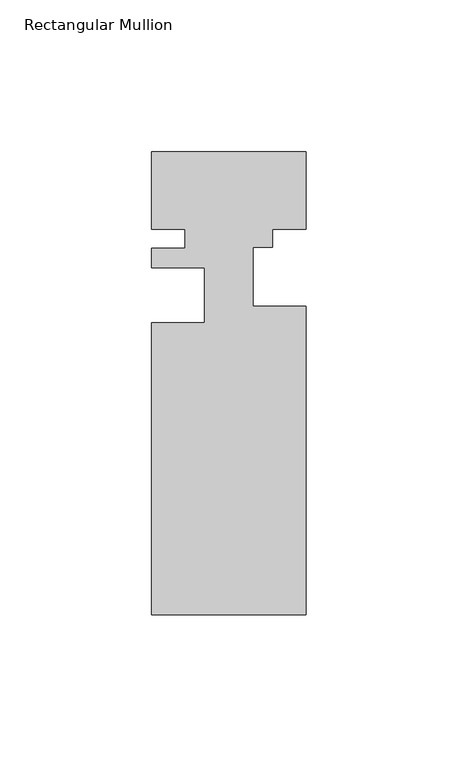
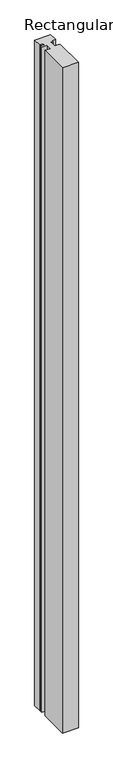
"""IFC4 building model written with IfcOpenShell, lengths in millimetres: member geometry, Rectangular Mullion."""

from ifc_helpers import new_model, si_unit, frame, origin, place, context, project, spatial, polyline, outline, extrude, source, transform, mapped, element, save


def rectangular_mullion_d4f768c2(model_context):
    return source(origin(), model_context, "Body", "SweptSolid", [
        extrude(outline(polyline([(25.4, -25.4), (14.3, -25.4), (14.3, -31.4046212), (7.9502, -31.4046212), (7.9502, -50.8), (25.4, -50.8), (25.4, -152.4), (-25.4, -152.4), (-25.4, -56.1605546), (-7.9501389, -56.1605546), (-7.9501389, -38.1118077), (-25.4, -38.1118077), (-25.4, -31.75), (-14.398625, -31.75), (-14.398625, -25.4), (-25.4, -25.4), (-25.4, 0.0), (25.4, 0.0), (25.4, -25.4)])), frame((0.0, 0.0, -2235.199416), z_axis=(0.0, 0.0, 1.0), x_axis=(1.0, 0.0, 0.0)), (0.0, 0.0, 1.0), 2235.199416),
    ])


if __name__ == "__main__":
    model = new_model("IFC4")
    model_context = context("Model", 3, world=origin())
    ifc_project = project(units=[si_unit("LENGTHUNIT", "METRE", prefix="MILLI")], contexts=[model_context])
    site = spatial("IfcSite", under=ifc_project)
    building = spatial("IfcBuilding", under=site)
    placement = place(None, origin())
    rectangular_mullion_shape = rectangular_mullion_d4f768c2(model_context)
    element("IfcMember", 1, ObjectType="Rectangular Mullion", at=placement, inside=building, context=model_context, shape_type="MappedRepresentation", body=[
        mapped(rectangular_mullion_shape, transform((0.0, 0.0, 0.0), x_axis=(1.0, 0.0, 0.0), y_axis=(0.0, 1.0, 0.0), z_axis=(0.0, 0.0, 1.0))),
    ])
    save(model, "model.ifc")
